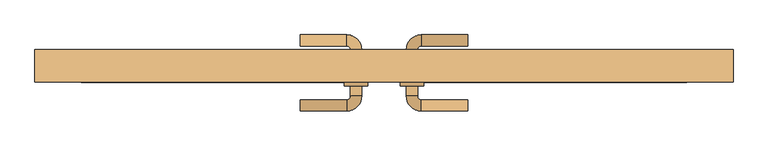
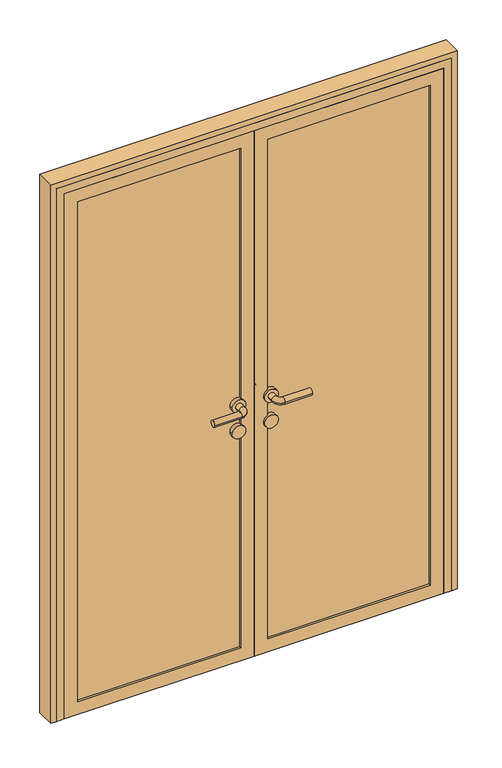
"""IFC4 building model written with IfcOpenShell, lengths in millimetres: door geometry."""

from ifc_helpers import new_model, si_unit, point, frame, frame_2d, origin, place, context, project, spatial, polyline, circle_curve, ellipse_curve, trimmed, segment, composite_curve, outline, extrude, faceted_brep, source, transform, mapped, element, save
from ifc_brep_helpers import plane_surface, cylinder_surface, revolved_surface, advanced_brep


def door_818e2d70(model_context):
    return source(origin(), model_context, "Body", "SolidModel", [
        advanced_brep(
        [(-180.0, -112.0, 1000.0), (-180.0, -88.0, 1000.0), (-80.0, -112.0, 1000.0), (-80.0, -88.0, 1000.0), (-48.0, -80.0, 1000.0), (-72.0, -80.0, 1000.0), (-48.0, -58.0, 1000.0), (-72.0, -58.0, 1000.0), (-48.0, 20.0, 1000.0), (-72.0, 20.0, 1000.0), (-72.0, -2.0, 1000.0), (-48.0, -2.0, 1000.0), (-80.0, 52.0, 1000.0), (-80.0, 28.0, 1000.0), (-180.0, 52.0, 1000.0), (-180.0, 28.0, 1000.0), (-35.0, -58.0, 1000.0), (-85.0, -58.0, 1000.0), (-35.0, -2.0, 1000.0), (-85.0, -2.0, 1000.0)],
        [
            (0, 1, circle_curve(frame((-180.0, -100.0, 1000.0), z_axis=(-1.0, 0.0, 0.0), x_axis=(0.0, 1.0, 0.0)), 12.0)),
            (1, 0, circle_curve(frame((-180.0, -100.0, 1000.0), z_axis=(-1.0, 0.0, 0.0), x_axis=(0.0, 1.0, 0.0)), 12.0)),
            (0, 2),
            (2, 3, circle_curve(frame((-80.0, -100.0, 1000.0), z_axis=(-1.0, 0.0, 0.0), x_axis=(0.0, 1.0, 0.0)), 12.0)),
            (3, 1),
            (3, 2, circle_curve(frame((-80.0, -100.0, 1000.0), z_axis=(-1.0, 0.0, 0.0), x_axis=(0.0, 1.0, 0.0)), 12.0)),
            (2, 4, circle_curve(frame((-80.0, -80.0, 1000.0), z_axis=(0.0, 0.0, 1.0), x_axis=(0.0, -1.0, 0.0)), 32.0)),
            (4, 5, circle_curve(frame((-60.0, -80.0, 1000.0), z_axis=(0.0, -1.0, 0.0), x_axis=(-1.0, 0.0, 0.0)), 12.0)),
            (5, 3, circle_curve(frame((-80.0, -80.0, 1000.0), z_axis=(0.0, 0.0, -1.0), x_axis=(0.0, -1.0, 0.0)), 8.0)),
            (5, 4, circle_curve(frame((-60.0, -80.0, 1000.0), z_axis=(0.0, -1.0, 0.0), x_axis=(-1.0, 0.0, 0.0)), 12.0)),
            (4, 6),
            (6, 7, circle_curve(frame((-60.0, -58.0, 1000.0), z_axis=(0.0, -1.0, 0.0), x_axis=(-1.0, 0.0, 0.0)), 12.0)),
            (7, 5),
            (8, 9, circle_curve(frame((-60.0, 20.0, 1000.0), z_axis=(0.0, -1.0, 0.0), x_axis=(-1.0, 0.0, 0.0)), 12.0)),
            (9, 10),
            (10, 11, circle_curve(frame((-60.0, -2.0, 1000.0), z_axis=(0.0, 1.0, 0.0), x_axis=(-1.0, 0.0, 0.0)), 12.0)),
            (11, 8),
            (7, 6, circle_curve(frame((-60.0, -58.0, 1000.0), z_axis=(0.0, -1.0, 0.0), x_axis=(-1.0, 0.0, 0.0)), 12.0)),
            (9, 8, circle_curve(frame((-60.0, 20.0, 1000.0), z_axis=(0.0, -1.0, 0.0), x_axis=(-1.0, 0.0, 0.0)), 12.0)),
            (11, 10, circle_curve(frame((-60.0, -2.0, 1000.0), z_axis=(0.0, 1.0, 0.0), x_axis=(-1.0, 0.0, 0.0)), 12.0)),
            (8, 12, circle_curve(frame((-80.0, 20.0, 1000.0), z_axis=(0.0, 0.0, 1.0), x_axis=(1.0, 0.0, 0.0)), 32.0)),
            (12, 13, circle_curve(frame((-80.0, 40.0, 1000.0), z_axis=(1.0, 0.0, 0.0), x_axis=(0.0, -1.0, 0.0)), 12.0)),
            (13, 9, circle_curve(frame((-80.0, 20.0, 1000.0), z_axis=(0.0, 0.0, -1.0), x_axis=(1.0, 0.0, 0.0)), 8.0)),
            (13, 12, circle_curve(frame((-80.0, 40.0, 1000.0), z_axis=(1.0, 0.0, 0.0), x_axis=(0.0, -1.0, 0.0)), 12.0)),
            (14, 15, circle_curve(frame((-180.0, 40.0, 1000.0), z_axis=(-1.0, 0.0, 0.0), x_axis=(0.0, -1.0, 0.0)), 12.0)),
            (15, 14, circle_curve(frame((-180.0, 40.0, 1000.0), z_axis=(-1.0, 0.0, 0.0), x_axis=(0.0, -1.0, 0.0)), 12.0)),
            (12, 14),
            (15, 13),
            (16, 17, circle_curve(frame((-60.0, -58.0, 1000.0), z_axis=(0.0, -1.0, 0.0), x_axis=(-1.0, 0.0, 0.0)), 25.0)),
            (17, 16, circle_curve(frame((-60.0, -58.0, 1000.0), z_axis=(0.0, -1.0, 0.0), x_axis=(-1.0, 0.0, 0.0)), 25.0)),
            (18, 19, circle_curve(frame((-60.0, -2.0, 1000.0), z_axis=(0.0, 1.0, 0.0), x_axis=(-1.0, 0.0, 0.0)), 25.0)),
            (19, 18, circle_curve(frame((-60.0, -2.0, 1000.0), z_axis=(0.0, 1.0, 0.0), x_axis=(-1.0, 0.0, 0.0)), 25.0)),
            (17, 19),
            (18, 16),
        ],
        [
            plane_surface(frame((-180.0, -100.0, 1000.0), z_axis=(-1.0, 0.0, 0.0), x_axis=(0.0, 0.0, 1.0))),
            cylinder_surface(frame((-180.0, -100.0, 1000.0), z_axis=(-1.0, 0.0, 0.0), x_axis=(0.0, 1.0, 0.0)), 12.0),
            revolved_surface(trimmed(ellipse_curve(frame((-80.0, -100.0, 1000.0), z_axis=(-1.0, 0.0, 0.0), x_axis=(0.0, 1.0, 0.0)), 12.0, 12.0), [point((-80.0, -112.0, 1000.0))], [point((-80.0, -88.0, 1000.0))], True, "CARTESIAN"), (-80.0, -80.0, 1000.0), (0.0, 0.0, 1.0)),
            revolved_surface(trimmed(ellipse_curve(frame((-80.0, -100.0, 1000.0), z_axis=(-1.0, 0.0, 0.0), x_axis=(0.0, 1.0, 0.0)), 12.0, 12.0), [point((-80.0, -88.0, 1000.0))], [point((-80.0, -112.0, 1000.0))], True, "CARTESIAN"), (-80.0, -80.0, 1000.0), (0.0, 0.0, 1.0)),
            cylinder_surface(frame((-60.0, -80.0, 1000.0), z_axis=(0.0, -1.0, 0.0), x_axis=(-1.0, 0.0, 0.0)), 12.0),
            revolved_surface(trimmed(ellipse_curve(frame((-60.0, 20.0, 1000.0), z_axis=(0.0, -1.0, 0.0), x_axis=(-1.0, 0.0, 0.0)), 12.0, 12.0), [point((-48.0, 20.0, 1000.0))], [point((-72.0, 20.0, 1000.0))], True, "CARTESIAN"), (-80.0, 20.0, 1000.0), (0.0, 0.0, 1.0)),
            revolved_surface(trimmed(ellipse_curve(frame((-60.0, 20.0, 1000.0), z_axis=(0.0, -1.0, 0.0), x_axis=(-1.0, 0.0, 0.0)), 12.0, 12.0), [point((-72.0, 20.0, 1000.0))], [point((-48.0, 20.0, 1000.0))], True, "CARTESIAN"), (-80.0, 20.0, 1000.0), (0.0, 0.0, 1.0)),
            plane_surface(frame((-180.0, 40.0, 1000.0), z_axis=(-1.0, 0.0, 0.0), x_axis=(0.0, 0.0, 1.0))),
            cylinder_surface(frame((-80.0, 40.0, 1000.0), z_axis=(1.0, 0.0, 0.0), x_axis=(0.0, -1.0, 0.0)), 12.0),
            plane_surface(frame((-85.0, -58.0, 1000.0), z_axis=(0.0, -1.0, 0.0), x_axis=(0.0, 0.0, -1.0))),
            plane_surface(frame((-85.0, -2.0, 1000.0), z_axis=(0.0, 1.0, 0.0), x_axis=(0.0, 0.0, 1.0))),
            cylinder_surface(frame((-60.0, -58.0, 1000.0), z_axis=(0.0, 1.0, 0.0), x_axis=(-1.0, 0.0, 0.0)), 25.0),
        ],
        [
            (0, [[1, 2]]),
            (1, [[-1, 3, 4, 5]]),
            (1, [[-2, -5, 6, -3]]),
            (2, [[-4, 7, 8, 9]]),
            (3, [[-6, -9, 10, -7]]),
            (4, [[-8, 11, 12, 13]]),
            (4, [[14, 15, 16, 17]]),
            (4, [[-10, -13, 18, -11]]),
            (4, [[19, -17, 20, -15]]),
            (5, [[-14, 21, 22, 23]]),
            (6, [[-19, -23, 24, -21]]),
            (7, [[25, 26]]),
            (8, [[-22, 27, -26, 28]]),
            (8, [[-24, -28, -25, -27]]),
            (9, [[29, 30], [-12, -18]]),
            (10, [[31, 32], [-16, -20]]),
            (11, [[-30, 33, -31, 34]]),
            (11, [[-29, -34, -32, -33]]),
        ],
    ),
        extrude(outline(composite_curve([segment(trimmed(circle_curve(frame_2d((900.0, -60.0)), 25.0), [point((900.0, -35.0))], [point((900.0, -85.0))], False, "CARTESIAN"), True, "CONTINUOUS"), segment(trimmed(circle_curve(frame_2d((900.0, -60.0)), 25.0), [point((900.0, -85.0))], [point((900.0, -35.0))], False, "CARTESIAN"), True, "CONTINUOUS")], self_intersect=False)), frame((0.0, -58.0, 0.0), z_axis=(0.0, 1.0, 0.0), x_axis=(0.0, 0.0, 1.0)), (0.0, 0.0, 1.0), 56.0),
        advanced_brep(
        [(180.0, -112.0, 1000.0), (180.0, -88.0, 1000.0), (80.0, -88.0, 1000.0), (80.0, -112.0, 1000.0), (72.0, -80.0, 1000.0), (48.0, -80.0, 1000.0), (48.0, 20.0, 1000.0), (48.0, -2.0, 1000.0), (72.0, -2.0, 1000.0), (72.0, 20.0, 1000.0), (72.0, -58.0, 1000.0), (48.0, -58.0, 1000.0), (80.0, 28.0, 1000.0), (80.0, 52.0, 1000.0), (180.0, 52.0, 1000.0), (180.0, 28.0, 1000.0), (35.0, -58.0, 1000.0), (85.0, -58.0, 1000.0), (35.0, -2.0, 1000.0), (85.0, -2.0, 1000.0)],
        [
            (0, 1, circle_curve(frame((180.0, -100.0, 1000.0), z_axis=(1.0, 0.0, 0.0), x_axis=(0.0, 1.0, 0.0)), 12.0)),
            (1, 0, circle_curve(frame((180.0, -100.0, 1000.0), z_axis=(1.0, 0.0, 0.0), x_axis=(0.0, 1.0, 0.0)), 12.0)),
            (1, 2),
            (2, 3, circle_curve(frame((80.0, -100.0, 1000.0), z_axis=(1.0, 0.0, 0.0), x_axis=(0.0, 1.0, 0.0)), 12.0)),
            (3, 0),
            (3, 2, circle_curve(frame((80.0, -100.0, 1000.0), z_axis=(1.0, 0.0, 0.0), x_axis=(0.0, 1.0, 0.0)), 12.0)),
            (2, 4, circle_curve(frame((80.0, -80.0, 1000.0), z_axis=(0.0, 0.0, -1.0), x_axis=(0.0, -1.0, 0.0)), 8.0)),
            (4, 5, circle_curve(frame((60.0, -80.0, 1000.0), z_axis=(0.0, -1.0, 0.0), x_axis=(1.0, 0.0, 0.0)), 12.0)),
            (5, 3, circle_curve(frame((80.0, -80.0, 1000.0), z_axis=(0.0, 0.0, 1.0), x_axis=(0.0, -1.0, 0.0)), 32.0)),
            (5, 4, circle_curve(frame((60.0, -80.0, 1000.0), z_axis=(0.0, -1.0, 0.0), x_axis=(1.0, 0.0, 0.0)), 12.0)),
            (6, 7),
            (7, 8, circle_curve(frame((60.0, -2.0, 1000.0), z_axis=(0.0, 1.0, 0.0), x_axis=(1.0, 0.0, 0.0)), 12.0)),
            (8, 9),
            (9, 6, circle_curve(frame((60.0, 20.0, 1000.0), z_axis=(0.0, -1.0, 0.0), x_axis=(1.0, 0.0, 0.0)), 12.0)),
            (4, 10),
            (10, 11, circle_curve(frame((60.0, -58.0, 1000.0), z_axis=(0.0, -1.0, 0.0), x_axis=(1.0, 0.0, 0.0)), 12.0)),
            (11, 5),
            (11, 10, circle_curve(frame((60.0, -58.0, 1000.0), z_axis=(0.0, -1.0, 0.0), x_axis=(1.0, 0.0, 0.0)), 12.0)),
            (8, 7, circle_curve(frame((60.0, -2.0, 1000.0), z_axis=(0.0, 1.0, 0.0), x_axis=(1.0, 0.0, 0.0)), 12.0)),
            (6, 9, circle_curve(frame((60.0, 20.0, 1000.0), z_axis=(0.0, -1.0, 0.0), x_axis=(1.0, 0.0, 0.0)), 12.0)),
            (9, 12, circle_curve(frame((80.0, 20.0, 1000.0), z_axis=(0.0, 0.0, -1.0), x_axis=(-1.0, 0.0, 0.0)), 8.0)),
            (12, 13, circle_curve(frame((80.0, 40.0, 1000.0), z_axis=(-1.0, 0.0, 0.0), x_axis=(0.0, -1.0, 0.0)), 12.0)),
            (13, 6, circle_curve(frame((80.0, 20.0, 1000.0), z_axis=(0.0, 0.0, 1.0), x_axis=(-1.0, 0.0, 0.0)), 32.0)),
            (13, 12, circle_curve(frame((80.0, 40.0, 1000.0), z_axis=(-1.0, 0.0, 0.0), x_axis=(0.0, -1.0, 0.0)), 12.0)),
            (14, 15, circle_curve(frame((180.0, 40.0, 1000.0), z_axis=(1.0, 0.0, 0.0), x_axis=(0.0, -1.0, 0.0)), 12.0)),
            (15, 14, circle_curve(frame((180.0, 40.0, 1000.0), z_axis=(1.0, 0.0, 0.0), x_axis=(0.0, -1.0, 0.0)), 12.0)),
            (12, 15),
            (14, 13),
            (16, 17, circle_curve(frame((60.0, -58.0, 1000.0), z_axis=(0.0, -1.0, 0.0), x_axis=(1.0, 0.0, 0.0)), 25.0)),
            (17, 16, circle_curve(frame((60.0, -58.0, 1000.0), z_axis=(0.0, -1.0, 0.0), x_axis=(1.0, 0.0, 0.0)), 25.0)),
            (18, 19, circle_curve(frame((60.0, -2.0, 1000.0), z_axis=(0.0, 1.0, 0.0), x_axis=(1.0, 0.0, 0.0)), 25.0)),
            (19, 18, circle_curve(frame((60.0, -2.0, 1000.0), z_axis=(0.0, 1.0, 0.0), x_axis=(1.0, 0.0, 0.0)), 25.0)),
            (16, 18),
            (19, 17),
        ],
        [
            plane_surface(frame((180.0, -100.0, 1000.0), z_axis=(1.0, 0.0, 0.0), x_axis=(0.0, 0.0, 1.0))),
            cylinder_surface(frame((180.0, -100.0, 1000.0), z_axis=(1.0, 0.0, 0.0), x_axis=(0.0, 1.0, 0.0)), 12.0),
            revolved_surface(trimmed(ellipse_curve(frame((80.0, -100.0, 1000.0), z_axis=(-1.0, 0.0, 0.0), x_axis=(0.0, 1.0, 0.0)), 12.0, 12.0), [point((80.0, -112.0, 1000.0))], [point((80.0, -88.0, 1000.0))], True, "CARTESIAN"), (80.0, -80.0, 1000.0), (0.0, 0.0, 1.0)),
            revolved_surface(trimmed(ellipse_curve(frame((80.0, -100.0, 1000.0), z_axis=(-1.0, 0.0, 0.0), x_axis=(0.0, 1.0, 0.0)), 12.0, 12.0), [point((80.0, -88.0, 1000.0))], [point((80.0, -112.0, 1000.0))], True, "CARTESIAN"), (80.0, -80.0, 1000.0), (0.0, 0.0, 1.0)),
            cylinder_surface(frame((60.0, -80.0, 1000.0), z_axis=(0.0, -1.0, 0.0), x_axis=(1.0, 0.0, 0.0)), 12.0),
            revolved_surface(trimmed(ellipse_curve(frame((60.0, 20.0, 1000.0), z_axis=(0.0, 1.0, 0.0), x_axis=(1.0, 0.0, 0.0)), 12.0, 12.0), [point((48.0, 20.0, 1000.0))], [point((72.0, 20.0, 1000.0))], True, "CARTESIAN"), (80.0, 20.0, 1000.0), (0.0, 0.0, 1.0)),
            revolved_surface(trimmed(ellipse_curve(frame((60.0, 20.0, 1000.0), z_axis=(0.0, 1.0, 0.0), x_axis=(1.0, 0.0, 0.0)), 12.0, 12.0), [point((72.0, 20.0, 1000.0))], [point((48.0, 20.0, 1000.0))], True, "CARTESIAN"), (80.0, 20.0, 1000.0), (0.0, 0.0, 1.0)),
            plane_surface(frame((180.0, 40.0, 1000.0), z_axis=(1.0, 0.0, 0.0), x_axis=(0.0, 0.0, 1.0))),
            cylinder_surface(frame((80.0, 40.0, 1000.0), z_axis=(-1.0, 0.0, 0.0), x_axis=(0.0, -1.0, 0.0)), 12.0),
            plane_surface(frame((85.0, -58.0, 1000.0), z_axis=(0.0, -1.0, 0.0), x_axis=(0.0, 0.0, -1.0))),
            plane_surface(frame((85.0, -2.0, 1000.0), z_axis=(0.0, 1.0, 0.0), x_axis=(0.0, 0.0, 1.0))),
            cylinder_surface(frame((60.0, -58.0, 1000.0), z_axis=(0.0, 1.0, 0.0), x_axis=(1.0, 0.0, 0.0)), 25.0),
        ],
        [
            (0, [[1, 2]]),
            (1, [[3, 4, 5, -2]]),
            (1, [[-5, 6, -3, -1]]),
            (2, [[7, 8, 9, -4]]),
            (3, [[-9, 10, -7, -6]]),
            (4, [[11, 12, 13, 14]]),
            (4, [[15, 16, 17, -8]]),
            (4, [[-17, 18, -15, -10]]),
            (4, [[-13, 19, -11, 20]]),
            (5, [[21, 22, 23, -14]]),
            (6, [[-23, 24, -21, -20]]),
            (7, [[25, 26]]),
            (8, [[27, -25, 28, -22]]),
            (8, [[-28, -26, -27, -24]]),
            (9, [[29, 30], [-18, -16]]),
            (10, [[31, 32], [-19, -12]]),
            (11, [[33, -32, 34, -29]]),
            (11, [[-34, -31, -33, -30]]),
        ],
    ),
        extrude(outline(composite_curve([segment(trimmed(circle_curve(frame_2d((900.0, 60.0)), 25.0), [point((900.0, 35.0))], [point((900.0, 85.0))], False, "CARTESIAN"), True, "CONTINUOUS"), segment(trimmed(circle_curve(frame_2d((900.0, 60.0)), 25.0), [point((900.0, 85.0))], [point((900.0, 35.0))], False, "CARTESIAN"), True, "CONTINUOUS")], self_intersect=False)), frame((0.0, -58.0, 0.0), z_axis=(0.0, 1.0, 0.0), x_axis=(0.0, 0.0, 1.0)), (0.0, 0.0, 1.0), 56.0),
        extrude(outline(polyline([(-650.0, -42.0), (-650.0, -18.0), (-50.0, -18.0), (-50.0, -42.0), (-650.0, -42.0)])), frame((0.0, 0.0, 50.0), z_axis=(0.0, 0.0, 1.0), x_axis=(1.0, 0.0, 0.0)), (0.0, 0.0, 1.0), 1950.0),
        extrude(outline(polyline([(0.0, -700.0), (0.0, 0.0), (2050.0, 0.0), (2050.0, -700.0), (0.0, -700.0)]), holes=[polyline([(50.0, -50.0), (50.0, -650.0), (2000.0, -650.0), (2000.0, -50.0), (50.0, -50.0)])]), frame((0.0, -50.0, 0.0), z_axis=(0.0, 1.0, 0.0), x_axis=(0.0, 0.0, 1.0)), (0.0, 0.0, 1.0), 40.0),
        extrude(outline(polyline([(50.0, -42.0), (50.0, -18.0), (650.0, -18.0), (650.0, -42.0), (50.0, -42.0)])), frame((0.0, 0.0, 50.0), z_axis=(0.0, 0.0, 1.0), x_axis=(1.0, 0.0, 0.0)), (0.0, 0.0, 1.0), 1950.0),
        extrude(outline(polyline([(0.0, 0.0), (0.0, 700.0), (2050.0, 700.0), (2050.0, 0.0), (0.0, 0.0)]), holes=[polyline([(50.0, 650.0), (50.0, 50.0), (2000.0, 50.0), (2000.0, 650.0), (50.0, 650.0)])]), frame((0.0, -50.0, 0.0), z_axis=(0.0, 1.0, 0.0), x_axis=(0.0, 0.0, 1.0)), (0.0, 0.0, 1.0), 40.0),
        extrude(outline(polyline([(0.0, 750.0), (2100.0, 750.0), (2100.0, -750.0), (0.0, -750.0), (0.0, -730.0), (2080.0, -730.0), (2080.0, 730.0), (0.0, 730.0), (0.0, 750.0)])), frame((0.0, -50.0, 0.0), z_axis=(0.0, 1.0, 0.0), x_axis=(0.0, 0.0, 1.0)), (0.0, 0.0, 1.0), 70.0),
        faceted_brep([(-730.0, 20.0, 0.0), (-690.0, 20.0, 0.0), (-690.0, -10.0, 0.0), (-700.0, -10.0, 0.0), (-700.0, -50.0, 0.0), (-730.0, -50.0, 0.0), (-730.0, -50.0, 2080.0), (-730.0, 20.0, 2080.0), (-700.0, -50.0, 2050.0), (700.0, -50.0, 2050.0), (700.0, -50.0, 0.0), (730.0, -50.0, 0.0), (730.0, -50.0, 2080.0), (-700.0, -10.0, 2050.0), (-690.0, -10.0, 2040.0), (690.0, -10.0, 2040.0), (690.0, -10.0, 0.0), (700.0, -10.0, 0.0), (700.0, -10.0, 2050.0), (-690.0, 20.0, 2040.0), (730.0, 20.0, 2080.0), (730.0, 20.0, 0.0), (690.0, 20.0, 0.0), (690.0, 20.0, 2040.0)], [[[0, 1, 2, 3, 4, 5]], [[5, 6, 7, 0]], [[4, 8, 9, 10, 11, 12, 6, 5]], [[3, 13, 8, 4]], [[2, 14, 15, 16, 17, 18, 13, 3]], [[1, 19, 14, 2]], [[0, 7, 20, 21, 22, 23, 19, 1]], [[6, 12, 20, 7]], [[13, 18, 9, 8]], [[19, 23, 15, 14]], [[21, 11, 10, 17, 16, 22]], [[12, 11, 21, 20]], [[18, 17, 10, 9]], [[23, 22, 16, 15]]]),
    ])


if __name__ == "__main__":
    model = new_model("IFC4")
    model_context = context("Model", 3, world=origin())
    ifc_project = project(units=[si_unit("LENGTHUNIT", "METRE", prefix="MILLI")], contexts=[model_context])
    site = spatial("IfcSite", under=ifc_project)
    building = spatial("IfcBuilding", under=site)
    placement = place(None, origin())
    door_shape = door_818e2d70(model_context)
    element("IfcDoor", 1, at=placement, inside=building, context=model_context, shape_type="MappedRepresentation", body=[
        mapped(door_shape, transform((0.0, 0.0, 0.0), x_axis=(1.0, 0.0, 0.0), y_axis=(0.0, 1.0, 0.0), z_axis=(0.0, 0.0, 1.0))),
    ])
    save(model, "model.ifc")
